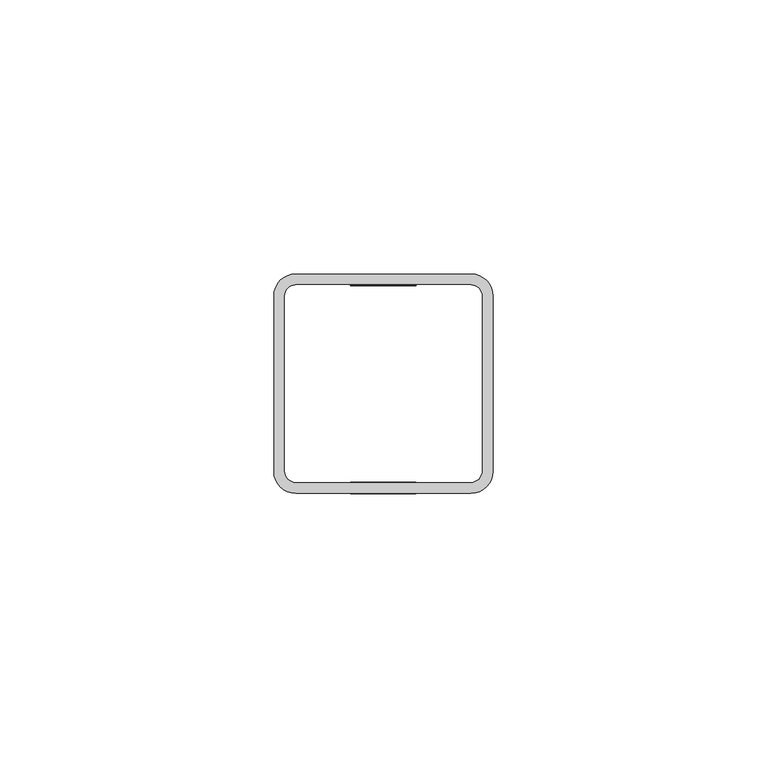
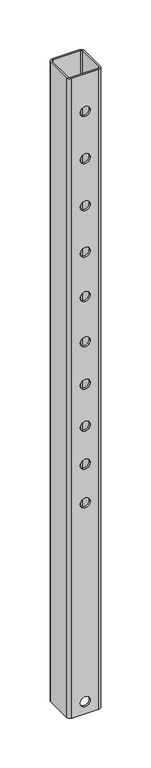
"""IFC4 building model written with IfcOpenShell, lengths in millimetres: proxy geometry."""

from ifc_helpers import new_model, si_unit, frame, origin, place, context, project, spatial, polyline, circle_curve, source, transform, mapped, element, save
from ifc_brep_helpers import plane_surface, cylinder_surface, revolved_surface, advanced_brep


def generic_models_51abe4ed(model_context):
    return source(origin(), model_context, "Body", "AdvancedBrep", [
        advanced_brep(
        [(-6.0, 20.0, 753.0), (-6.0, 18.0, 753.0), (6.0, 18.0, 753.0), (6.0, 20.0, 753.0), (-6.0, -18.0, 753.0), (-6.0, -20.0, 753.0), (6.0, -20.0, 753.0), (6.0, -18.0, 753.0), (-6.0, 20.0, 15.0), (-6.0, 18.0, 15.0), (6.0, 18.0, 15.0), (6.0, 20.0, 15.0), (-6.0, -18.0, 15.0), (-6.0, -20.0, 15.0), (6.0, -20.0, 15.0), (6.0, -18.0, 15.0), (-6.0, 18.0, 312.0), (-6.0, 20.0, 312.0), (6.0, 20.0, 312.0), (6.0, 18.0, 312.0), (-6.0, -20.0, 312.0), (-6.0, -18.0, 312.0), (6.0, -18.0, 312.0), (6.0, -20.0, 312.0), (-6.0, 18.0, 635.0), (-6.0, 20.0, 635.0), (6.0, 20.0, 635.0), (6.0, 18.0, 635.0), (-6.0, -20.0, 635.0), (-6.0, -18.0, 635.0), (6.0, -18.0, 635.0), (6.0, -20.0, 635.0), (-6.0, 18.0, 521.5), (-6.0, 20.0, 521.5), (6.0, 20.0, 521.5), (6.0, 18.0, 521.5), (-6.0, -20.0, 521.5), (-6.0, -18.0, 521.5), (6.0, -18.0, 521.5), (6.0, -20.0, 521.5), (-6.0, 18.0, 412.0), (-6.0, 20.0, 412.0), (6.0, 20.0, 412.0), (6.0, 18.0, 412.0), (-6.0, -20.0, 412.0), (-6.0, -18.0, 412.0), (6.0, -18.0, 412.0), (6.0, -20.0, 412.0), (-6.0, 18.0, 694.0), (-6.0, 20.0, 694.0), (6.0, 20.0, 694.0), (6.0, 18.0, 694.0), (-6.0, -20.0, 694.0), (-6.0, -18.0, 694.0), (6.0, -18.0, 694.0), (6.0, -20.0, 694.0), (-6.0, 18.0, 577.0), (-6.0, 20.0, 577.0), (6.0, 20.0, 577.0), (6.0, 18.0, 577.0), (-6.0, -20.0, 577.0), (-6.0, -18.0, 577.0), (6.0, -18.0, 577.0), (6.0, -20.0, 577.0), (-6.0, 18.0, 465.0), (-6.0, 20.0, 465.0), (6.0, 20.0, 465.0), (6.0, 18.0, 465.0), (-6.0, -20.0, 465.0), (-6.0, -18.0, 465.0), (6.0, -18.0, 465.0), (6.0, -20.0, 465.0), (-6.0, 18.0, 359.5), (-6.0, 20.0, 359.5), (6.0, 20.0, 359.5), (6.0, 18.0, 359.5), (-6.0, -20.0, 359.5), (-6.0, -18.0, 359.5), (6.0, -18.0, 359.5), (6.0, -20.0, 359.5), (-6.0, 18.0, 263.5), (-6.0, 20.0, 263.5), (6.0, 20.0, 263.5), (6.0, 18.0, 263.5), (-6.0, -20.0, 263.5), (-6.0, -18.0, 263.5), (6.0, -18.0, 263.5), (6.0, -20.0, 263.5), (-20.0, -16.0, 800.0), (-16.0, -20.0, 800.0), (16.0, -20.0, 800.0), (20.0, -16.0, 800.0), (20.0, 16.0, 800.0), (16.0, 20.0, 800.0), (-16.0, 20.0, 800.0), (-20.0, 16.0, 800.0), (16.0, -18.0, 800.0), (-16.0, -18.0, 800.0), (-18.0, -16.0, 800.0), (-18.0, 16.0, 800.0), (-16.0, 18.0, 800.0), (16.0, 18.0, 800.0), (18.0, 16.0, 800.0), (18.0, -16.0, 800.0), (-16.0, 18.0, 0.0), (16.0, 18.0, 0.0), (-18.0, 16.0, 0.0), (-18.0, -16.0, 0.0), (-16.0, -18.0, 0.0), (-20.0, 16.0, 0.0), (-20.0, -16.0, 0.0), (-16.0, 20.0, 0.0), (16.0, 20.0, 0.0), (20.0, 16.0, 0.0), (16.0, -18.0, 0.0), (18.0, -16.0, 0.0), (18.0, 16.0, 0.0), (20.0, -16.0, 0.0), (16.0, -20.0, 0.0), (-16.0, -20.0, 0.0)],
        [
            (0, 1),
            (1, 2, circle_curve(frame((0.0, 18.0, 753.0), z_axis=(0.0, -1.0, 0.0), x_axis=(-1.0, 0.0, 0.0)), 6.0)),
            (2, 3),
            (3, 0, circle_curve(frame((0.0, 20.0, 753.0), z_axis=(0.0, 1.0, 0.0), x_axis=(-1.0, 0.0, 0.0)), 6.0)),
            (4, 5),
            (5, 6, circle_curve(frame((0.0, -20.0, 753.0), z_axis=(0.0, -1.0, 0.0), x_axis=(-1.0, 0.0, 0.0)), 6.0)),
            (6, 7),
            (7, 4, circle_curve(frame((0.0, -18.0, 753.0), z_axis=(0.0, 1.0, 0.0), x_axis=(-1.0, 0.0, 0.0)), 6.0)),
            (8, 9),
            (9, 10, circle_curve(frame((0.0, 18.0, 15.0), z_axis=(0.0, -1.0, 0.0), x_axis=(-1.0, 0.0, 0.0)), 6.0)),
            (10, 11),
            (11, 8, circle_curve(frame((0.0, 20.0, 15.0), z_axis=(0.0, 1.0, 0.0), x_axis=(-1.0, 0.0, 0.0)), 6.0)),
            (12, 13),
            (13, 14, circle_curve(frame((0.0, -20.0, 15.0), z_axis=(0.0, -1.0, 0.0), x_axis=(-1.0, 0.0, 0.0)), 6.0)),
            (14, 15),
            (15, 12, circle_curve(frame((0.0, -18.0, 15.0), z_axis=(0.0, 1.0, 0.0), x_axis=(-1.0, 0.0, 0.0)), 6.0)),
            (16, 17),
            (17, 18, circle_curve(frame((0.0, 20.0, 312.0), z_axis=(0.0, 1.0, 0.0), x_axis=(-1.0, 0.0, 0.0)), 6.0)),
            (18, 19),
            (19, 16, circle_curve(frame((0.0, 18.0, 312.0), z_axis=(0.0, -1.0, 0.0), x_axis=(-1.0, 0.0, 0.0)), 6.0)),
            (20, 21),
            (21, 22, circle_curve(frame((0.0, -18.0, 312.0), z_axis=(0.0, 1.0, 0.0), x_axis=(-1.0, 0.0, 0.0)), 6.0)),
            (22, 23),
            (23, 20, circle_curve(frame((0.0, -20.0, 312.0), z_axis=(0.0, -1.0, 0.0), x_axis=(-1.0, 0.0, 0.0)), 6.0)),
            (24, 25),
            (25, 26, circle_curve(frame((0.0, 20.0, 635.0), z_axis=(0.0, 1.0, 0.0), x_axis=(-1.0, 0.0, 0.0)), 6.0)),
            (26, 27),
            (27, 24, circle_curve(frame((0.0, 18.0, 635.0), z_axis=(0.0, -1.0, 0.0), x_axis=(-1.0, 0.0, 0.0)), 6.0)),
            (28, 29),
            (29, 30, circle_curve(frame((0.0, -18.0, 635.0), z_axis=(0.0, 1.0, 0.0), x_axis=(-1.0, 0.0, 0.0)), 6.0)),
            (30, 31),
            (31, 28, circle_curve(frame((0.0, -20.0, 635.0), z_axis=(0.0, -1.0, 0.0), x_axis=(-1.0, 0.0, 0.0)), 6.0)),
            (32, 33),
            (33, 34, circle_curve(frame((0.0, 20.0, 521.5), z_axis=(0.0, 1.0, 0.0), x_axis=(-1.0, 0.0, 0.0)), 6.0)),
            (34, 35),
            (35, 32, circle_curve(frame((0.0, 18.0, 521.5), z_axis=(0.0, -1.0, 0.0), x_axis=(-1.0, 0.0, 0.0)), 6.0)),
            (36, 37),
            (37, 38, circle_curve(frame((0.0, -18.0, 521.5), z_axis=(0.0, 1.0, 0.0), x_axis=(-1.0, 0.0, 0.0)), 6.0)),
            (38, 39),
            (39, 36, circle_curve(frame((0.0, -20.0, 521.5), z_axis=(0.0, -1.0, 0.0), x_axis=(-1.0, 0.0, 0.0)), 6.0)),
            (40, 41),
            (41, 42, circle_curve(frame((0.0, 20.0, 412.0), z_axis=(0.0, 1.0, 0.0), x_axis=(-1.0, 0.0, 0.0)), 6.0)),
            (42, 43),
            (43, 40, circle_curve(frame((0.0, 18.0, 412.0), z_axis=(0.0, -1.0, 0.0), x_axis=(-1.0, 0.0, 0.0)), 6.0)),
            (44, 45),
            (45, 46, circle_curve(frame((0.0, -18.0, 412.0), z_axis=(0.0, 1.0, 0.0), x_axis=(-1.0, 0.0, 0.0)), 6.0)),
            (46, 47),
            (47, 44, circle_curve(frame((0.0, -20.0, 412.0), z_axis=(0.0, -1.0, 0.0), x_axis=(-1.0, 0.0, 0.0)), 6.0)),
            (48, 49),
            (49, 50, circle_curve(frame((0.0, 20.0, 694.0), z_axis=(0.0, 1.0, 0.0), x_axis=(-1.0, 0.0, 0.0)), 6.0)),
            (50, 51),
            (51, 48, circle_curve(frame((0.0, 18.0, 694.0), z_axis=(0.0, -1.0, 0.0), x_axis=(-1.0, 0.0, 0.0)), 6.0)),
            (52, 53),
            (53, 54, circle_curve(frame((0.0, -18.0, 694.0), z_axis=(0.0, 1.0, 0.0), x_axis=(-1.0, 0.0, 0.0)), 6.0)),
            (54, 55),
            (55, 52, circle_curve(frame((0.0, -20.0, 694.0), z_axis=(0.0, -1.0, 0.0), x_axis=(-1.0, 0.0, 0.0)), 6.0)),
            (56, 57),
            (57, 58, circle_curve(frame((0.0, 20.0, 577.0), z_axis=(0.0, 1.0, 0.0), x_axis=(-1.0, 0.0, 0.0)), 6.0)),
            (58, 59),
            (59, 56, circle_curve(frame((0.0, 18.0, 577.0), z_axis=(0.0, -1.0, 0.0), x_axis=(-1.0, 0.0, 0.0)), 6.0)),
            (60, 61),
            (61, 62, circle_curve(frame((0.0, -18.0, 577.0), z_axis=(0.0, 1.0, 0.0), x_axis=(-1.0, 0.0, 0.0)), 6.0)),
            (62, 63),
            (63, 60, circle_curve(frame((0.0, -20.0, 577.0), z_axis=(0.0, -1.0, 0.0), x_axis=(-1.0, 0.0, 0.0)), 6.0)),
            (64, 65),
            (65, 66, circle_curve(frame((0.0, 20.0, 465.0), z_axis=(0.0, 1.0, 0.0), x_axis=(-1.0, 0.0, 0.0)), 6.0)),
            (66, 67),
            (67, 64, circle_curve(frame((0.0, 18.0, 465.0), z_axis=(0.0, -1.0, 0.0), x_axis=(-1.0, 0.0, 0.0)), 6.0)),
            (68, 69),
            (69, 70, circle_curve(frame((0.0, -18.0, 465.0), z_axis=(0.0, 1.0, 0.0), x_axis=(-1.0, 0.0, 0.0)), 6.0)),
            (70, 71),
            (71, 68, circle_curve(frame((0.0, -20.0, 465.0), z_axis=(0.0, -1.0, 0.0), x_axis=(-1.0, 0.0, 0.0)), 6.0)),
            (72, 73),
            (73, 74, circle_curve(frame((0.0, 20.0, 359.5), z_axis=(0.0, 1.0, 0.0), x_axis=(-1.0, 0.0, 0.0)), 6.0)),
            (74, 75),
            (75, 72, circle_curve(frame((0.0, 18.0, 359.5), z_axis=(0.0, -1.0, 0.0), x_axis=(-1.0, 0.0, 0.0)), 6.0)),
            (76, 77),
            (77, 78, circle_curve(frame((0.0, -18.0, 359.5), z_axis=(0.0, 1.0, 0.0), x_axis=(-1.0, 0.0, 0.0)), 6.0)),
            (78, 79),
            (79, 76, circle_curve(frame((0.0, -20.0, 359.5), z_axis=(0.0, -1.0, 0.0), x_axis=(-1.0, 0.0, 0.0)), 6.0)),
            (80, 81),
            (81, 82, circle_curve(frame((0.0, 20.0, 263.5), z_axis=(0.0, 1.0, 0.0), x_axis=(-1.0, 0.0, 0.0)), 6.0)),
            (82, 83),
            (83, 80, circle_curve(frame((0.0, 18.0, 263.5), z_axis=(0.0, -1.0, 0.0), x_axis=(-1.0, 0.0, 0.0)), 6.0)),
            (84, 85),
            (85, 86, circle_curve(frame((0.0, -18.0, 263.5), z_axis=(0.0, 1.0, 0.0), x_axis=(-1.0, 0.0, 0.0)), 6.0)),
            (86, 87),
            (87, 84, circle_curve(frame((0.0, -20.0, 263.5), z_axis=(0.0, -1.0, 0.0), x_axis=(-1.0, 0.0, 0.0)), 6.0)),
            (84, 87, circle_curve(frame((0.0, -20.0, 263.5), z_axis=(0.0, -1.0, 0.0), x_axis=(-1.0, 0.0, 0.0)), 6.0)),
            (86, 85, circle_curve(frame((0.0, -18.0, 263.5), z_axis=(0.0, 1.0, 0.0), x_axis=(-1.0, 0.0, 0.0)), 6.0)),
            (80, 83, circle_curve(frame((0.0, 18.0, 263.5), z_axis=(0.0, -1.0, 0.0), x_axis=(-1.0, 0.0, 0.0)), 6.0)),
            (82, 81, circle_curve(frame((0.0, 20.0, 263.5), z_axis=(0.0, 1.0, 0.0), x_axis=(-1.0, 0.0, 0.0)), 6.0)),
            (76, 79, circle_curve(frame((0.0, -20.0, 359.5), z_axis=(0.0, -1.0, 0.0), x_axis=(-1.0, 0.0, 0.0)), 6.0)),
            (78, 77, circle_curve(frame((0.0, -18.0, 359.5), z_axis=(0.0, 1.0, 0.0), x_axis=(-1.0, 0.0, 0.0)), 6.0)),
            (72, 75, circle_curve(frame((0.0, 18.0, 359.5), z_axis=(0.0, -1.0, 0.0), x_axis=(-1.0, 0.0, 0.0)), 6.0)),
            (74, 73, circle_curve(frame((0.0, 20.0, 359.5), z_axis=(0.0, 1.0, 0.0), x_axis=(-1.0, 0.0, 0.0)), 6.0)),
            (68, 71, circle_curve(frame((0.0, -20.0, 465.0), z_axis=(0.0, -1.0, 0.0), x_axis=(-1.0, 0.0, 0.0)), 6.0)),
            (70, 69, circle_curve(frame((0.0, -18.0, 465.0), z_axis=(0.0, 1.0, 0.0), x_axis=(-1.0, 0.0, 0.0)), 6.0)),
            (64, 67, circle_curve(frame((0.0, 18.0, 465.0), z_axis=(0.0, -1.0, 0.0), x_axis=(-1.0, 0.0, 0.0)), 6.0)),
            (66, 65, circle_curve(frame((0.0, 20.0, 465.0), z_axis=(0.0, 1.0, 0.0), x_axis=(-1.0, 0.0, 0.0)), 6.0)),
            (60, 63, circle_curve(frame((0.0, -20.0, 577.0), z_axis=(0.0, -1.0, 0.0), x_axis=(-1.0, 0.0, 0.0)), 6.0)),
            (62, 61, circle_curve(frame((0.0, -18.0, 577.0), z_axis=(0.0, 1.0, 0.0), x_axis=(-1.0, 0.0, 0.0)), 6.0)),
            (56, 59, circle_curve(frame((0.0, 18.0, 577.0), z_axis=(0.0, -1.0, 0.0), x_axis=(-1.0, 0.0, 0.0)), 6.0)),
            (58, 57, circle_curve(frame((0.0, 20.0, 577.0), z_axis=(0.0, 1.0, 0.0), x_axis=(-1.0, 0.0, 0.0)), 6.0)),
            (52, 55, circle_curve(frame((0.0, -20.0, 694.0), z_axis=(0.0, -1.0, 0.0), x_axis=(-1.0, 0.0, 0.0)), 6.0)),
            (54, 53, circle_curve(frame((0.0, -18.0, 694.0), z_axis=(0.0, 1.0, 0.0), x_axis=(-1.0, 0.0, 0.0)), 6.0)),
            (48, 51, circle_curve(frame((0.0, 18.0, 694.0), z_axis=(0.0, -1.0, 0.0), x_axis=(-1.0, 0.0, 0.0)), 6.0)),
            (50, 49, circle_curve(frame((0.0, 20.0, 694.0), z_axis=(0.0, 1.0, 0.0), x_axis=(-1.0, 0.0, 0.0)), 6.0)),
            (44, 47, circle_curve(frame((0.0, -20.0, 412.0), z_axis=(0.0, -1.0, 0.0), x_axis=(-1.0, 0.0, 0.0)), 6.0)),
            (46, 45, circle_curve(frame((0.0, -18.0, 412.0), z_axis=(0.0, 1.0, 0.0), x_axis=(-1.0, 0.0, 0.0)), 6.0)),
            (40, 43, circle_curve(frame((0.0, 18.0, 412.0), z_axis=(0.0, -1.0, 0.0), x_axis=(-1.0, 0.0, 0.0)), 6.0)),
            (42, 41, circle_curve(frame((0.0, 20.0, 412.0), z_axis=(0.0, 1.0, 0.0), x_axis=(-1.0, 0.0, 0.0)), 6.0)),
            (36, 39, circle_curve(frame((0.0, -20.0, 521.5), z_axis=(0.0, -1.0, 0.0), x_axis=(-1.0, 0.0, 0.0)), 6.0)),
            (38, 37, circle_curve(frame((0.0, -18.0, 521.5), z_axis=(0.0, 1.0, 0.0), x_axis=(-1.0, 0.0, 0.0)), 6.0)),
            (32, 35, circle_curve(frame((0.0, 18.0, 521.5), z_axis=(0.0, -1.0, 0.0), x_axis=(-1.0, 0.0, 0.0)), 6.0)),
            (34, 33, circle_curve(frame((0.0, 20.0, 521.5), z_axis=(0.0, 1.0, 0.0), x_axis=(-1.0, 0.0, 0.0)), 6.0)),
            (28, 31, circle_curve(frame((0.0, -20.0, 635.0), z_axis=(0.0, -1.0, 0.0), x_axis=(-1.0, 0.0, 0.0)), 6.0)),
            (30, 29, circle_curve(frame((0.0, -18.0, 635.0), z_axis=(0.0, 1.0, 0.0), x_axis=(-1.0, 0.0, 0.0)), 6.0)),
            (24, 27, circle_curve(frame((0.0, 18.0, 635.0), z_axis=(0.0, -1.0, 0.0), x_axis=(-1.0, 0.0, 0.0)), 6.0)),
            (26, 25, circle_curve(frame((0.0, 20.0, 635.0), z_axis=(0.0, 1.0, 0.0), x_axis=(-1.0, 0.0, 0.0)), 6.0)),
            (20, 23, circle_curve(frame((0.0, -20.0, 312.0), z_axis=(0.0, -1.0, 0.0), x_axis=(-1.0, 0.0, 0.0)), 6.0)),
            (22, 21, circle_curve(frame((0.0, -18.0, 312.0), z_axis=(0.0, 1.0, 0.0), x_axis=(-1.0, 0.0, 0.0)), 6.0)),
            (16, 19, circle_curve(frame((0.0, 18.0, 312.0), z_axis=(0.0, -1.0, 0.0), x_axis=(-1.0, 0.0, 0.0)), 6.0)),
            (18, 17, circle_curve(frame((0.0, 20.0, 312.0), z_axis=(0.0, 1.0, 0.0), x_axis=(-1.0, 0.0, 0.0)), 6.0)),
            (12, 15, circle_curve(frame((0.0, -18.0, 15.0), z_axis=(0.0, 1.0, 0.0), x_axis=(-1.0, 0.0, 0.0)), 6.0)),
            (14, 13, circle_curve(frame((0.0, -20.0, 15.0), z_axis=(0.0, -1.0, 0.0), x_axis=(-1.0, 0.0, 0.0)), 6.0)),
            (8, 11, circle_curve(frame((0.0, 20.0, 15.0), z_axis=(0.0, 1.0, 0.0), x_axis=(-1.0, 0.0, 0.0)), 6.0)),
            (10, 9, circle_curve(frame((0.0, 18.0, 15.0), z_axis=(0.0, -1.0, 0.0), x_axis=(-1.0, 0.0, 0.0)), 6.0)),
            (4, 7, circle_curve(frame((0.0, -18.0, 753.0), z_axis=(0.0, 1.0, 0.0), x_axis=(-1.0, 0.0, 0.0)), 6.0)),
            (6, 5, circle_curve(frame((0.0, -20.0, 753.0), z_axis=(0.0, -1.0, 0.0), x_axis=(-1.0, 0.0, 0.0)), 6.0)),
            (0, 3, circle_curve(frame((0.0, 20.0, 753.0), z_axis=(0.0, 1.0, 0.0), x_axis=(-1.0, 0.0, 0.0)), 6.0)),
            (2, 1, circle_curve(frame((0.0, 18.0, 753.0), z_axis=(0.0, -1.0, 0.0), x_axis=(-1.0, 0.0, 0.0)), 6.0)),
            (88, 89, circle_curve(frame((-16.0, -16.0, 800.0), z_axis=(0.0, 0.0, 1.0), x_axis=(1.0, 0.0, 0.0)), 4.0)),
            (89, 90),
            (90, 91, circle_curve(frame((16.0, -16.0, 800.0), z_axis=(0.0, 0.0, 1.0), x_axis=(0.0, 1.0, 0.0)), 4.0)),
            (91, 92),
            (92, 93, circle_curve(frame((16.0, 16.0, 800.0), z_axis=(0.0, 0.0, 1.0), x_axis=(-1.0, 0.0, 0.0)), 4.0)),
            (93, 94),
            (94, 95, circle_curve(frame((-16.0, 16.0, 800.0), z_axis=(0.0, 0.0, 1.0), x_axis=(0.0, -1.0, 0.0)), 4.0)),
            (95, 88),
            (96, 97),
            (97, 98, circle_curve(frame((-16.0, -16.0, 800.0), z_axis=(0.0, 0.0, -1.0), x_axis=(1.0, 0.0, 0.0)), 2.0)),
            (98, 99),
            (99, 100, circle_curve(frame((-16.0, 16.0, 800.0), z_axis=(0.0, 0.0, -1.0), x_axis=(0.0, -1.0, 0.0)), 2.0)),
            (100, 101),
            (101, 102, circle_curve(frame((16.0, 16.0, 800.0), z_axis=(0.0, 0.0, -1.0), x_axis=(-1.0, 0.0, 0.0)), 2.0)),
            (102, 103),
            (103, 96, circle_curve(frame((16.0, -16.0, 800.0), z_axis=(0.0, 0.0, -1.0), x_axis=(0.0, 1.0, 0.0)), 2.0)),
            (100, 104),
            (104, 105),
            (105, 101),
            (99, 106),
            (106, 104, circle_curve(frame((-16.0, 16.0, 0.0), z_axis=(0.0, 0.0, -1.0), x_axis=(0.0, -1.0, 0.0)), 2.0)),
            (98, 107),
            (107, 106),
            (97, 108),
            (108, 107, circle_curve(frame((-16.0, -16.0, 0.0), z_axis=(0.0, 0.0, -1.0), x_axis=(1.0, 0.0, 0.0)), 2.0)),
            (95, 109),
            (109, 110),
            (110, 88),
            (94, 111),
            (111, 109, circle_curve(frame((-16.0, 16.0, 0.0), z_axis=(0.0, 0.0, 1.0), x_axis=(0.0, -1.0, 0.0)), 4.0)),
            (93, 112),
            (112, 111),
            (92, 113),
            (113, 112, circle_curve(frame((16.0, 16.0, 0.0), z_axis=(0.0, 0.0, 1.0), x_axis=(-1.0, 0.0, 0.0)), 4.0)),
            (96, 114),
            (114, 108),
            (103, 115),
            (115, 114, circle_curve(frame((16.0, -16.0, 0.0), z_axis=(0.0, 0.0, -1.0), x_axis=(0.0, 1.0, 0.0)), 2.0)),
            (102, 116),
            (116, 115),
            (105, 116, circle_curve(frame((16.0, 16.0, 0.0), z_axis=(0.0, 0.0, -1.0), x_axis=(-1.0, 0.0, 0.0)), 2.0)),
            (91, 117),
            (117, 113),
            (90, 118),
            (118, 117, circle_curve(frame((16.0, -16.0, 0.0), z_axis=(0.0, 0.0, 1.0), x_axis=(0.0, 1.0, 0.0)), 4.0)),
            (89, 119),
            (119, 118),
            (110, 119, circle_curve(frame((-16.0, -16.0, 0.0), z_axis=(0.0, 0.0, 1.0), x_axis=(1.0, 0.0, 0.0)), 4.0)),
        ],
        [
            revolved_surface(polyline([(-6.0, 20.0, 753.0), (-6.0, 18.0, 753.0)]), (0.0, -20.0, 753.0), (0.0, 1.0, 0.0)),
            revolved_surface(polyline([(-6.0, -18.0, 753.0), (-6.0, -20.0, 753.0)]), (0.0, -20.0, 753.0), (0.0, 1.0, 0.0)),
            revolved_surface(polyline([(-6.0, 20.0, 15.0), (-6.0, 18.0, 15.0)]), (0.0, -20.0, 15.0), (0.0, 1.0, 0.0)),
            revolved_surface(polyline([(-6.0, -18.0, 15.0), (-6.0, -20.0, 15.0)]), (0.0, -20.0, 15.0), (0.0, 1.0, 0.0)),
            revolved_surface(polyline([(-6.0, 18.0, 312.0), (-6.0, 20.0, 312.0)]), (0.0, 20.0, 312.0), (0.0, -1.0, 0.0)),
            revolved_surface(polyline([(-6.0, -20.0, 312.0), (-6.0, -18.0, 312.0)]), (0.0, 20.0, 312.0), (0.0, -1.0, 0.0)),
            revolved_surface(polyline([(-6.0, 18.0, 635.0), (-6.0, 20.0, 635.0)]), (0.0, 20.0, 635.0), (0.0, -1.0, 0.0)),
            revolved_surface(polyline([(-6.0, -20.0, 635.0), (-6.0, -18.0, 635.0)]), (0.0, 20.0, 635.0), (0.0, -1.0, 0.0)),
            revolved_surface(polyline([(-6.0, 18.0, 521.5), (-6.0, 20.0, 521.5)]), (0.0, 20.0, 521.5), (0.0, -1.0, 0.0)),
            revolved_surface(polyline([(-6.0, -20.0, 521.5), (-6.0, -18.0, 521.5)]), (0.0, 20.0, 521.5), (0.0, -1.0, 0.0)),
            revolved_surface(polyline([(-6.0, 18.0, 412.0), (-6.0, 20.0, 412.0)]), (0.0, 20.0, 412.0), (0.0, -1.0, 0.0)),
            revolved_surface(polyline([(-6.0, -20.0, 412.0), (-6.0, -18.0, 412.0)]), (0.0, 20.0, 412.0), (0.0, -1.0, 0.0)),
            revolved_surface(polyline([(-6.0, 18.0, 694.0), (-6.0, 20.0, 694.0)]), (0.0, 20.0, 694.0), (0.0, -1.0, 0.0)),
            revolved_surface(polyline([(-6.0, -20.0, 694.0), (-6.0, -18.0, 694.0)]), (0.0, 20.0, 694.0), (0.0, -1.0, 0.0)),
            revolved_surface(polyline([(-6.0, 18.0, 577.0), (-6.0, 20.0, 577.0)]), (0.0, 20.0, 577.0), (0.0, -1.0, 0.0)),
            revolved_surface(polyline([(-6.0, -20.0, 577.0), (-6.0, -18.0, 577.0)]), (0.0, 20.0, 577.0), (0.0, -1.0, 0.0)),
            revolved_surface(polyline([(-6.0, 18.0, 465.0), (-6.0, 20.0, 465.0)]), (0.0, 20.0, 465.0), (0.0, -1.0, 0.0)),
            revolved_surface(polyline([(-6.0, -20.0, 465.0), (-6.0, -18.0, 465.0)]), (0.0, 20.0, 465.0), (0.0, -1.0, 0.0)),
            revolved_surface(polyline([(-6.0, 18.0, 359.5), (-6.0, 20.0, 359.5)]), (0.0, 20.0, 359.5), (0.0, -1.0, 0.0)),
            revolved_surface(polyline([(-6.0, -20.0, 359.5), (-6.0, -18.0, 359.5)]), (0.0, 20.0, 359.5), (0.0, -1.0, 0.0)),
            revolved_surface(polyline([(-6.0, 18.0, 263.5), (-6.0, 20.0, 263.5)]), (0.0, 20.0, 263.5), (0.0, -1.0, 0.0)),
            revolved_surface(polyline([(-6.0, -20.0, 263.5), (-6.0, -18.0, 263.5)]), (0.0, 20.0, 263.5), (0.0, -1.0, 0.0)),
            plane_surface(frame((-263.9153803, -20.0, 800.0), z_axis=(0.0, 0.0, 1.0), x_axis=(-1.0, 0.0, 0.0))),
            plane_surface(frame((-16.0, 18.0, 0.0), z_axis=(0.0, -1.0, 0.0), x_axis=(0.0, 0.0, 1.0))),
            revolved_surface(polyline([(-16.0, 14.0, 800.0), (-16.0, 14.0, 0.0)]), (-16.0, 16.0, 0.0), (0.0, 0.0, 1.0)),
            plane_surface(frame((-18.0, -16.0, 0.0), z_axis=(1.0, 0.0, 0.0), x_axis=(0.0, 0.0, 1.0))),
            revolved_surface(polyline([(-14.0, -16.0, 800.0), (-14.0, -16.0, 0.0)]), (-16.0, -16.0, 0.0), (0.0, 0.0, 1.0)),
            plane_surface(frame((-20.0, -16.0, 0.0), z_axis=(-1.0, 0.0, 0.0), x_axis=(0.0, 0.0, 1.0))),
            cylinder_surface(frame((-16.0, 16.0, 0.0), z_axis=(0.0, 0.0, 1.0), x_axis=(0.0, -1.0, 0.0)), 4.0),
            plane_surface(frame((-16.0, 20.0, 0.0), z_axis=(0.0, 1.0, 0.0), x_axis=(0.0, 0.0, 1.0))),
            cylinder_surface(frame((16.0, 16.0, 0.0), z_axis=(0.0, 0.0, 1.0), x_axis=(-1.0, 0.0, 0.0)), 4.0),
            plane_surface(frame((16.0, -18.0, 0.0), z_axis=(0.0, 1.0, 0.0), x_axis=(0.0, 0.0, -1.0))),
            revolved_surface(polyline([(16.0, -14.0, 800.0), (16.0, -14.0, 0.0)]), (16.0, -16.0, 0.0), (0.0, 0.0, 1.0)),
            plane_surface(frame((18.0, 16.0, 0.0), z_axis=(-1.0, 0.0, 0.0), x_axis=(0.0, 0.0, -1.0))),
            revolved_surface(polyline([(14.0, 16.0, 800.0), (14.0, 16.0, 0.0)]), (16.0, 16.0, 0.0), (0.0, 0.0, 1.0)),
            plane_surface(frame((20.0, 16.0, 0.0), z_axis=(1.0, 0.0, 0.0), x_axis=(0.0, 0.0, -1.0))),
            cylinder_surface(frame((16.0, -16.0, 0.0), z_axis=(0.0, 0.0, 1.0), x_axis=(0.0, 1.0, 0.0)), 4.0),
            plane_surface(frame((16.0, -20.0, 0.0), z_axis=(0.0, -1.0, 0.0), x_axis=(0.0, 0.0, -1.0))),
            cylinder_surface(frame((-16.0, -16.0, 0.0), z_axis=(0.0, 0.0, 1.0), x_axis=(1.0, 0.0, 0.0)), 4.0),
            plane_surface(frame((0.0, 0.0, 0.0), z_axis=(0.0, 0.0, -1.0), x_axis=(1.0, 0.0, 0.0))),
        ],
        [
            (0, [[1, 2, 3, 4]]),
            (1, [[5, 6, 7, 8]]),
            (2, [[9, 10, 11, 12]]),
            (3, [[13, 14, 15, 16]]),
            (4, [[17, 18, 19, 20]]),
            (5, [[21, 22, 23, 24]]),
            (6, [[25, 26, 27, 28]]),
            (7, [[29, 30, 31, 32]]),
            (8, [[33, 34, 35, 36]]),
            (9, [[37, 38, 39, 40]]),
            (10, [[41, 42, 43, 44]]),
            (11, [[45, 46, 47, 48]]),
            (12, [[49, 50, 51, 52]]),
            (13, [[53, 54, 55, 56]]),
            (14, [[57, 58, 59, 60]]),
            (15, [[61, 62, 63, 64]]),
            (16, [[65, 66, 67, 68]]),
            (17, [[69, 70, 71, 72]]),
            (18, [[73, 74, 75, 76]]),
            (19, [[77, 78, 79, 80]]),
            (20, [[81, 82, 83, 84]]),
            (21, [[85, 86, 87, 88]]),
            (21, [[-85, 89, -87, 90]]),
            (20, [[-81, 91, -83, 92]]),
            (19, [[-77, 93, -79, 94]]),
            (18, [[-73, 95, -75, 96]]),
            (17, [[-69, 97, -71, 98]]),
            (16, [[-65, 99, -67, 100]]),
            (15, [[-61, 101, -63, 102]]),
            (14, [[-57, 103, -59, 104]]),
            (13, [[-53, 105, -55, 106]]),
            (12, [[-49, 107, -51, 108]]),
            (11, [[-45, 109, -47, 110]]),
            (10, [[-41, 111, -43, 112]]),
            (9, [[-37, 113, -39, 114]]),
            (8, [[-33, 115, -35, 116]]),
            (7, [[-29, 117, -31, 118]]),
            (6, [[-25, 119, -27, 120]]),
            (5, [[-21, 121, -23, 122]]),
            (4, [[-17, 123, -19, 124]]),
            (3, [[-13, 125, -15, 126]]),
            (2, [[-9, 127, -11, 128]]),
            (1, [[-5, 129, -7, 130]]),
            (0, [[-1, 131, -3, 132]]),
            (22, [[133, 134, 135, 136, 137, 138, 139, 140], [141, 142, 143, 144, 145, 146, 147, 148]]),
            (23, [[-145, 149, 150, 151], [-2, -132], [-10, -128], [-91, -84], [-95, -76], [-99, -68], [-103, -60], [-107, -52], [-111, -44], [-115, -36], [-119, -28], [-123, -20]]),
            (24, [[-144, 152, 153, -149]]),
            (25, [[-143, 154, 155, -152]]),
            (26, [[-142, 156, 157, -154]]),
            (27, [[-140, 158, 159, 160]]),
            (28, [[-139, 161, 162, -158]]),
            (29, [[-138, 163, 164, -161], [-18, -124], [-26, -120], [-34, -116], [-42, -112], [-50, -108], [-58, -104], [-66, -100], [-74, -96], [-82, -92], [-127, -12], [-131, -4]]),
            (30, [[-137, 165, 166, -163]]),
            (31, [[-141, 167, 168, -156], [-22, -122], [-30, -118], [-38, -114], [-46, -110], [-54, -106], [-62, -102], [-70, -98], [-78, -94], [-86, -90], [-125, -16], [-129, -8]]),
            (32, [[-148, 169, 170, -167]]),
            (33, [[-147, 171, 172, -169]]),
            (34, [[-146, -151, 173, -171]]),
            (35, [[-136, 174, 175, -165]]),
            (36, [[-135, 176, 177, -174]]),
            (37, [[-134, 178, 179, -176], [-6, -130], [-14, -126], [-89, -88], [-93, -80], [-97, -72], [-101, -64], [-105, -56], [-109, -48], [-113, -40], [-117, -32], [-121, -24]]),
            (38, [[-133, -160, 180, -178]]),
            (39, [[-159, -162, -164, -166, -175, -177, -179, -180], [-150, -153, -155, -157, -168, -170, -172, -173]]),
        ],
    ),
    ])


if __name__ == "__main__":
    model = new_model("IFC4")
    model_context = context("Model", 3, world=origin())
    ifc_project = project(units=[si_unit("LENGTHUNIT", "METRE", prefix="MILLI")], contexts=[model_context])
    site = spatial("IfcSite", under=ifc_project)
    building = spatial("IfcBuilding", under=site)
    placement = place(None, origin())
    generic_models_shape = generic_models_51abe4ed(model_context)
    element("IfcBuildingElementProxy", 1, Name="Generic Models", at=placement, inside=building, context=model_context, shape_type="MappedRepresentation", body=[
        mapped(generic_models_shape, transform((0.0, 0.0, 0.0), x_axis=(1.0, 0.0, 0.0), y_axis=(0.0, 1.0, 0.0), z_axis=(0.0, 0.0, 1.0))),
    ])
    save(model, "model.ifc")
